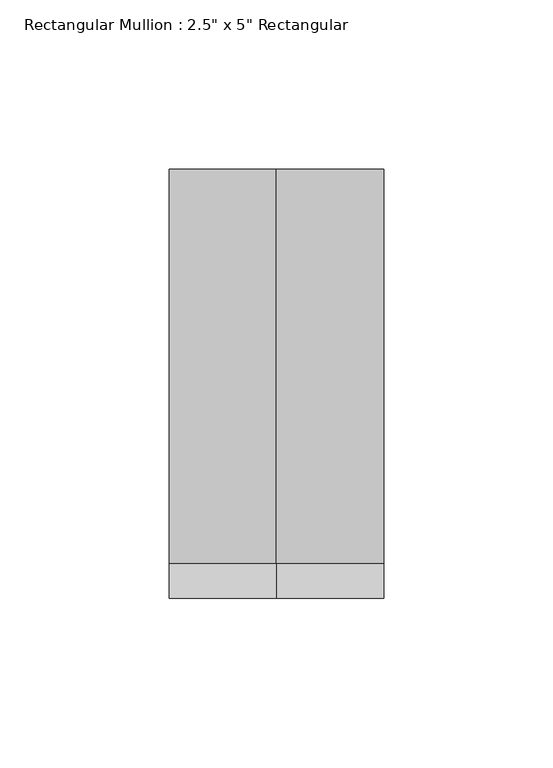
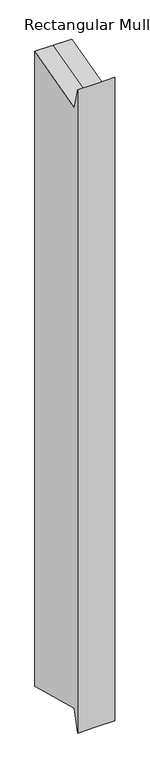
"""IFC4 building model written with IfcOpenShell, lengths in millimetres: member geometry."""

from ifc_helpers import new_model, si_unit, origin, place, context, project, spatial, faceted_brep, source, transform, mapped, element, save


def member_b6263386(model_context):
    return source(origin(), model_context, "Body", "Brep", [
        faceted_brep([(-31.75, 63.5, 15.894755), (0.0, 63.5, 15.894755), (31.75, 63.5, 15.894755), (31.75, 63.5, -1135.7154292), (0.0, 63.5, -1135.7154292), (-31.75, 63.5, -1135.7154292), (-31.75, -63.5, 23.3900664), (-31.75, -53.1187853, -15.3531543), (-31.75, -53.1187853, -1104.4675199), (-31.75, -63.5, -1143.2107406), (31.75, -63.5, 23.3900664), (0.0, -63.5, 23.3900664), (0.0, -63.5, -1143.2107406), (31.75, -63.5, -1143.2107406), (31.75, -53.1187853, -15.3531543), (31.75, -53.1187853, -1104.4675199), (0.0, -53.1187853, -15.3531543), (0.0, -53.1187853, -1104.4675199)], [[[0, 1, 2, 3, 4, 5]], [[6, 7, 0, 5, 8, 9]], [[10, 11, 6, 9, 12, 13]], [[2, 14, 10, 13, 15, 3]], [[2, 1, 16, 14]], [[1, 0, 7, 16]], [[7, 6, 11, 16]], [[11, 10, 14, 16]], [[3, 15, 17, 4]], [[15, 13, 12, 17]], [[12, 9, 8, 17]], [[8, 5, 4, 17]]]),
    ])


if __name__ == "__main__":
    model = new_model("IFC4")
    model_context = context("Model", 3, world=origin())
    ifc_project = project(units=[si_unit("LENGTHUNIT", "METRE", prefix="MILLI")], contexts=[model_context])
    site = spatial("IfcSite", under=ifc_project)
    building = spatial("IfcBuilding", under=site)
    placement = place(None, origin())
    member_shape = member_b6263386(model_context)
    element("IfcMember", 1, ObjectType="Rectangular Mullion : 2.5\" x 5\" Rectangular", at=placement, inside=building, context=model_context, shape_type="MappedRepresentation", body=[
        mapped(member_shape, transform((0.0, 0.0, 0.0), x_axis=(1.0, 0.0, 0.0), y_axis=(0.0, 1.0, 0.0), z_axis=(0.0, 0.0, 1.0))),
    ])
    save(model, "model.ifc")
